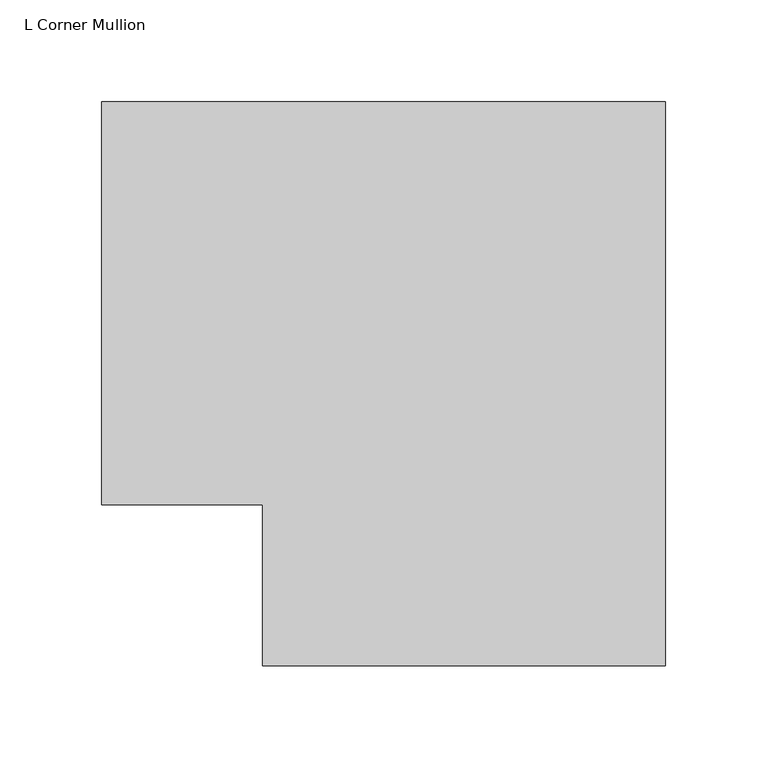
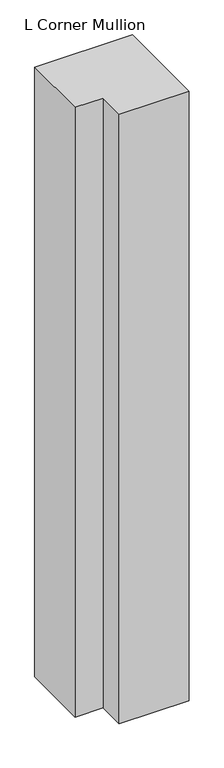
"""IFC4 building model written with IfcOpenShell, lengths in millimetres: member geometry, L Corner Mullion."""

from ifc_helpers import new_model, si_unit, frame, origin, place, context, project, spatial, polyline, outline, extrude, source, transform, mapped, element, save


def l_corner_mullion_21679c7d(model_context):
    return source(origin(), model_context, "Body", "SweptSolid", [
        extrude(outline(polyline([(-156.36875, -235.74375), (-156.36875, -156.36875), (-235.74375, -156.36875), (-235.74375, 42.06875), (42.06875, 42.06875), (42.06875, -235.74375), (-156.36875, -235.74375)])), frame((0.0, 0.0, -1828.8), z_axis=(0.0, 0.0, 1.0), x_axis=(1.0, 0.0, 0.0)), (0.0, 0.0, 1.0), 1828.8),
    ])


if __name__ == "__main__":
    model = new_model("IFC4")
    model_context = context("Model", 3, world=origin())
    ifc_project = project(units=[si_unit("LENGTHUNIT", "METRE", prefix="MILLI")], contexts=[model_context])
    site = spatial("IfcSite", under=ifc_project)
    building = spatial("IfcBuilding", under=site)
    placement = place(None, origin())
    l_corner_mullion_shape = l_corner_mullion_21679c7d(model_context)
    element("IfcMember", 1, ObjectType="L Corner Mullion", at=placement, inside=building, context=model_context, shape_type="MappedRepresentation", body=[
        mapped(l_corner_mullion_shape, transform((0.0, 0.0, 0.0), x_axis=(1.0, 0.0, 0.0), y_axis=(0.0, 1.0, 0.0), z_axis=(0.0, 0.0, 1.0))),
    ])
    save(model, "model.ifc")
